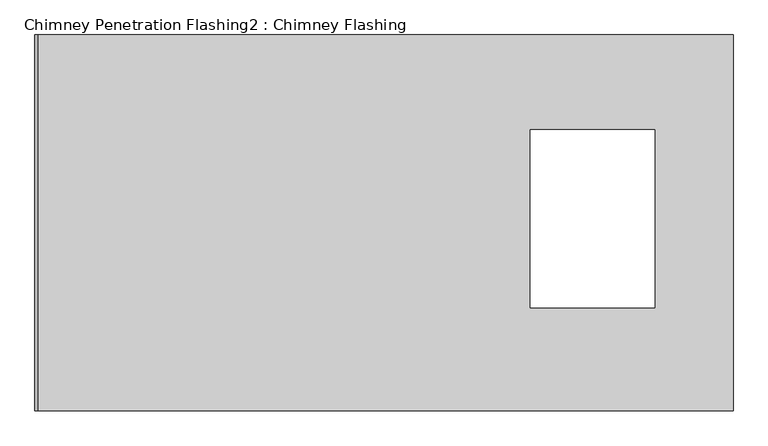
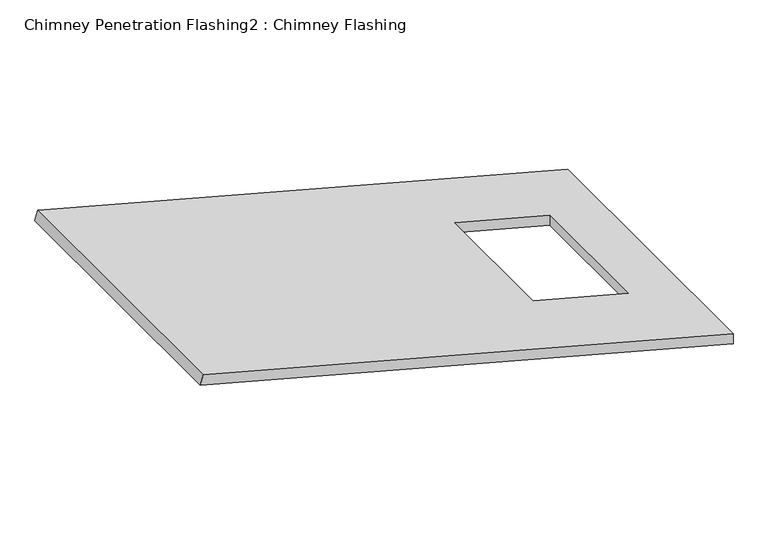
"""IFC4 building model written with IfcOpenShell, lengths in millimetres: proxy geometry, Chimney Penetration Flashing2 : Chimney Flashing."""

from ifc_helpers import new_model, si_unit, origin, place, context, project, spatial, faceted_brep, source, transform, mapped, element, save


def chimney_penetration_flashing2_chimney_flashing_e7e145ae(model_context):
    return source(origin(), model_context, "Body", "Brep", [
        faceted_brep([(4034.3633972, -1971.2660332, 3407.6723492), (4034.3633972, -1971.2660332, 3446.4712036), (2083.8008732, -1971.2660332, 3969.1228567), (2074.1011596, -1971.2660332, 3932.9230327), (4034.3633972, -916.2660332, 3407.6723492), (2074.1011596, -916.2660332, 3932.9230327), (2083.8008732, -916.2660332, 3969.1228567), (4034.3633972, -916.2660332, 3446.4712036), (3815.016956, -1182.9266386, 3505.2449054), (3815.016956, -1682.9266386, 3505.2449054), (3465.016956, -1682.9266386, 3599.0271228), (3465.016956, -1182.9266386, 3599.0271228), (3815.016956, -1682.9266386, 3466.446051), (3815.016956, -1182.9266386, 3466.446051), (3465.016956, -1182.9266386, 3560.2282683), (3465.016956, -1682.9266386, 3560.2282683)], [[[0, 1, 2, 3]], [[4, 5, 6, 7]], [[1, 0, 4, 7]], [[2, 1, 7, 6], [8, 9, 10, 11]], [[3, 2, 6, 5]], [[0, 3, 5, 4], [12, 13, 14, 15]], [[12, 9, 8, 13]], [[13, 8, 11, 14]], [[14, 11, 10, 15]], [[9, 12, 15, 10]]]),
    ])


if __name__ == "__main__":
    model = new_model("IFC4")
    model_context = context("Model", 3, world=origin())
    ifc_project = project(units=[si_unit("LENGTHUNIT", "METRE", prefix="MILLI")], contexts=[model_context])
    site = spatial("IfcSite", under=ifc_project)
    building = spatial("IfcBuilding", under=site)
    placement = place(None, origin())
    chimney_penetration_flashing2_chimney_flashing_shape = chimney_penetration_flashing2_chimney_flashing_e7e145ae(model_context)
    element("IfcBuildingElementProxy", 1, Name="Chimney Penetration Flashing2 : Chimney Flashing", ObjectType="Chimney Penetration Flashing2 : Chimney Flashing", at=placement, inside=building, context=model_context, shape_type="MappedRepresentation", body=[
        mapped(chimney_penetration_flashing2_chimney_flashing_shape, transform((0.0, 0.0, 0.0), x_axis=(1.0, 0.0, 0.0), y_axis=(0.0, 1.0, 0.0), z_axis=(0.0, 0.0, 1.0))),
    ])
    save(model, "model.ifc")
